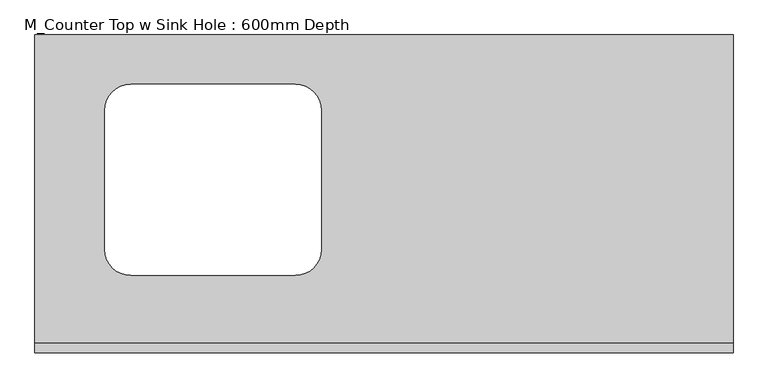
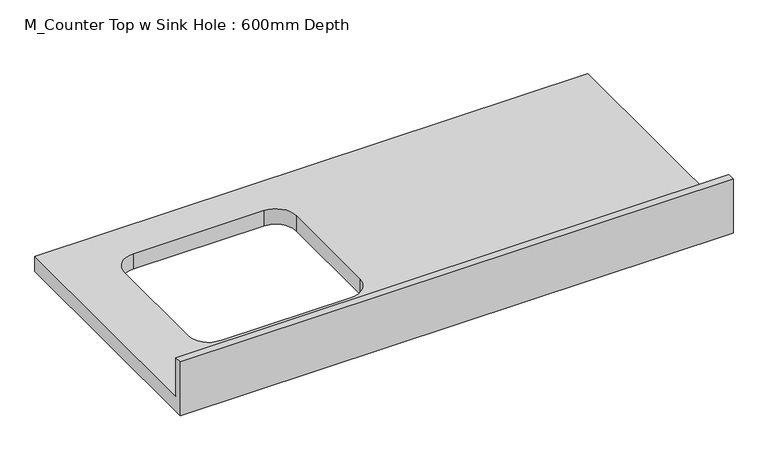
"""IFC4 building model written with IfcOpenShell, lengths in millimetres: furniture geometry, M_Counter Top w Sink Hole : 600mm Depth."""

from ifc_helpers import new_model, si_unit, frame, origin, place, context, project, spatial, polyline, circle_curve, source, transform, mapped, element, save
from ifc_brep_helpers import plane_surface, revolved_surface, advanced_brep


def m_counter_top_w_sink_hole_600mm_depth_20fae36d(model_context):
    return source(origin(), model_context, "Body", "AdvancedBrep", [
        advanced_brep(
        [(-1200.4622951, 625.0, 900.0), (-1200.4622951, 19.05, 900.0), (171.5377049, 19.05, 900.0), (171.5377049, 625.0, 900.0), (-1012.3622951, 152.3, 900.0), (-1063.1622951, 203.1, 900.0), (-1063.1622951, 476.9, 900.0), (-1012.3622951, 527.7, 900.0), (-688.5622951, 527.7, 900.0), (-637.7622951, 476.9, 900.0), (-637.7622951, 203.1, 900.0), (-688.5622951, 152.3, 900.0), (171.5377049, 0.0, 860.0), (-1200.4622951, 0.0, 860.0), (-1200.4622951, 625.0, 860.0), (171.5377049, 625.0, 860.0), (-688.5622951, 152.3, 860.0), (-637.7622951, 203.1, 860.0), (-637.7622951, 476.9, 860.0), (-688.5622951, 527.7, 860.0), (-1012.3622951, 527.7, 860.0), (-1063.1622951, 476.9, 860.0), (-1063.1622951, 203.1, 860.0), (-1012.3622951, 152.3, 860.0), (171.5377049, 0.0, 1001.6), (-1200.4622951, 0.0, 1001.6), (-1200.4622951, 19.05, 1001.6), (171.5377049, 19.05, 1001.6)],
        [
            (0, 1),
            (1, 2),
            (2, 3),
            (3, 0),
            (4, 5, circle_curve(frame((-1012.3622951, 203.1, 900.0), z_axis=(0.0, 0.0, -1.0), x_axis=(1.0, 0.0, 0.0)), 50.8)),
            (5, 6),
            (6, 7, circle_curve(frame((-1012.3622951, 476.9, 900.0), z_axis=(0.0, 0.0, -1.0), x_axis=(1.0, 0.0, 0.0)), 50.8)),
            (7, 8),
            (8, 9, circle_curve(frame((-688.5622951, 476.9, 900.0), z_axis=(0.0, 0.0, -1.0), x_axis=(1.0, 0.0, 0.0)), 50.8)),
            (9, 10),
            (10, 11, circle_curve(frame((-688.5622951, 203.1, 900.0), z_axis=(0.0, 0.0, -1.0), x_axis=(1.0, 0.0, 0.0)), 50.8)),
            (11, 4),
            (12, 13),
            (13, 14),
            (14, 15),
            (15, 12),
            (16, 17, circle_curve(frame((-688.5622951, 203.1, 860.0), z_axis=(0.0, 0.0, 1.0), x_axis=(1.0, 0.0, 0.0)), 50.8)),
            (17, 18),
            (18, 19, circle_curve(frame((-688.5622951, 476.9, 860.0), z_axis=(0.0, 0.0, 1.0), x_axis=(1.0, 0.0, 0.0)), 50.8)),
            (19, 20),
            (20, 21, circle_curve(frame((-1012.3622951, 476.9, 860.0), z_axis=(0.0, 0.0, 1.0), x_axis=(1.0, 0.0, 0.0)), 50.8)),
            (21, 22),
            (22, 23, circle_curve(frame((-1012.3622951, 203.1, 860.0), z_axis=(0.0, 0.0, 1.0), x_axis=(1.0, 0.0, 0.0)), 50.8)),
            (23, 16),
            (12, 24),
            (24, 25),
            (25, 13),
            (25, 26),
            (26, 1),
            (0, 14),
            (3, 15),
            (2, 27),
            (27, 24),
            (27, 26),
            (11, 16),
            (23, 4),
            (22, 5),
            (21, 6),
            (20, 7),
            (19, 8),
            (18, 9),
            (17, 10),
        ],
        [
            plane_surface(frame((-1200.4622951, 0.0, 900.0), z_axis=(0.0, 0.0, 1.0), x_axis=(-1.0, 0.0, 0.0))),
            plane_surface(frame((-1200.4622951, 0.0, 860.0), z_axis=(0.0, 0.0, -1.0), x_axis=(1.0, 0.0, 0.0))),
            plane_surface(frame((171.5377049, 0.0, 900.0), z_axis=(0.0, -1.0, 0.0), x_axis=(0.0, 0.0, -1.0))),
            plane_surface(frame((-1200.4622951, 0.0, 900.0), z_axis=(-1.0, 0.0, 0.0), x_axis=(0.0, 0.0, -1.0))),
            plane_surface(frame((-1200.4622951, 625.0, 900.0), z_axis=(0.0, 1.0, 0.0), x_axis=(0.0, 0.0, -1.0))),
            plane_surface(frame((171.5377049, 625.0, 900.0), z_axis=(1.0, 0.0, 0.0), x_axis=(0.0, 0.0, -1.0))),
            plane_surface(frame((-1200.4622951, 0.0, 1001.6), z_axis=(0.0, 0.0, 1.0), x_axis=(0.0, 1.0, 0.0))),
            plane_surface(frame((-1200.4622951, 19.05, 1001.6), z_axis=(0.0, 1.0, 0.0), x_axis=(0.0, 0.0, -1.0))),
            plane_surface(frame((-688.5622951, 152.3, 900.0), z_axis=(0.0, 1.0, 0.0), x_axis=(0.0, 0.0, -1.0))),
            revolved_surface(polyline([(-961.5622951, 203.1, 900.0), (-961.5622951, 203.1, 860.0)]), (-1012.3622951, 203.1, 860.0), (0.0, 0.0, 1.0)),
            plane_surface(frame((-1063.1622951, 203.1, 900.0), z_axis=(1.0, 0.0, 0.0), x_axis=(0.0, 0.0, -1.0))),
            revolved_surface(polyline([(-961.5622951, 476.9, 900.0), (-961.5622951, 476.9, 860.0)]), (-1012.3622951, 476.9, 860.0), (0.0, 0.0, 1.0)),
            plane_surface(frame((-1012.3622951, 527.7, 900.0), z_axis=(0.0, -1.0, 0.0), x_axis=(0.0, 0.0, -1.0))),
            revolved_surface(polyline([(-637.7622951000001, 476.9, 900.0), (-637.7622951000001, 476.9, 860.0)]), (-688.5622951, 476.9, 860.0), (0.0, 0.0, 1.0)),
            plane_surface(frame((-637.7622951, 476.9, 900.0), z_axis=(-1.0, 0.0, 0.0), x_axis=(0.0, 0.0, -1.0))),
            revolved_surface(polyline([(-637.7622951000001, 203.1, 900.0), (-637.7622951000001, 203.1, 860.0)]), (-688.5622951, 203.1, 860.0), (0.0, 0.0, 1.0)),
        ],
        [
            (0, [[1, 2, 3, 4], [5, 6, 7, 8, 9, 10, 11, 12]]),
            (1, [[13, 14, 15, 16], [17, 18, 19, 20, 21, 22, 23, 24]]),
            (2, [[25, 26, 27, -13]]),
            (3, [[-27, 28, 29, -1, 30, -14]]),
            (4, [[31, -15, -30, -4]]),
            (5, [[-31, -3, 32, 33, -25, -16]]),
            (6, [[-26, -33, 34, -28]]),
            (7, [[-32, -2, -29, -34]]),
            (8, [[-12, 35, -24, 36]]),
            (9, [[-23, 37, -5, -36]]),
            (10, [[-22, 38, -6, -37]]),
            (11, [[-21, 39, -7, -38]]),
            (12, [[-20, 40, -8, -39]]),
            (13, [[-19, 41, -9, -40]]),
            (14, [[-18, 42, -10, -41]]),
            (15, [[-11, -42, -17, -35]]),
        ],
    ),
    ])


if __name__ == "__main__":
    model = new_model("IFC4")
    model_context = context("Model", 3, world=origin())
    ifc_project = project(units=[si_unit("LENGTHUNIT", "METRE", prefix="MILLI")], contexts=[model_context])
    site = spatial("IfcSite", under=ifc_project)
    building = spatial("IfcBuilding", under=site)
    placement = place(None, origin())
    m_counter_top_w_sink_hole_600mm_depth_shape = m_counter_top_w_sink_hole_600mm_depth_20fae36d(model_context)
    element("IfcFurniture", 1, ObjectType="M_Counter Top w Sink Hole : 600mm Depth", at=placement, inside=building, context=model_context, shape_type="MappedRepresentation", body=[
        mapped(m_counter_top_w_sink_hole_600mm_depth_shape, transform((0.0, 0.0, 0.0), x_axis=(1.0, 0.0, 0.0), y_axis=(0.0, 1.0, 0.0), z_axis=(0.0, 0.0, 1.0))),
    ])
    save(model, "model.ifc")
